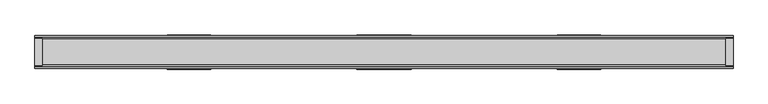
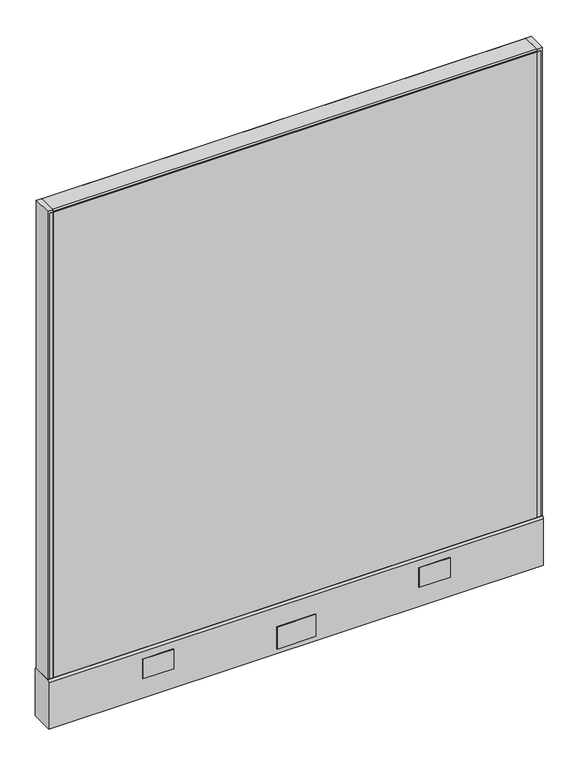
"""IFC4 building model written with IfcOpenShell, lengths in millimetres: furniture geometry."""

import ifcopenshell
import ifcopenshell.guid

model = None  # the IFC model being written
_history = None  # IfcOwnerHistory: only IFC2X3 demands one
_inside = {}  # id of a spatial element -> (the spatial element, [elements in it])
_under = {}  # id of a project, library or spatial element -> (it, [spatial elements below it])
_declared = {}  # id of a project -> (the project, [libraries it declares])
_typed = {}  # id of a type object -> (the type object, [elements of that type])
_made_of = {}  # id of a material, layer set ... -> (it, [elements and type objects made of it])


def new_model(schema):
    """Start an empty IFC model of exactly this schema.

    Asked for "IFC4X3", IfcOpenShell would pick the latest addendum, in which some entities
    have other attributes; the version numbers below select the first issue.
    IFC2X3 requires an IfcOwnerHistory on every rooted entity: one is made here for all.
    """
    global model, _history
    if schema == "IFC4X3":
        model = ifcopenshell.file(schema_version=(4, 3, 0, 0))
    else:
        model = ifcopenshell.file(schema=schema)
    _inside.clear()
    _under.clear()
    _declared.clear()
    _typed.clear()
    _made_of.clear()
    _history = None
    if model.schema == "IFC2X3":
        org = make("IfcOrganization", Name="unknown")
        user = make(
            "IfcPersonAndOrganization",
            ThePerson=make("IfcPerson", FamilyName="unknown"),
            TheOrganization=org,
        )
        app = make(
            "IfcApplication",
            ApplicationDeveloper=org,
            Version="unknown",
            ApplicationFullName="unknown",
            ApplicationIdentifier="unknown",
        )
        _history = make(
            "IfcOwnerHistory",
            OwningUser=user,
            OwningApplication=app,
            ChangeAction="ADDED",
            CreationDate=0,
        )
    return model


def make(cls, **values):
    """One entity of the class cls with the attributes given. An attribute that is None is left unset."""
    return model.create_entity(
        cls, **{name: value for name, value in values.items() if value is not None}
    )


def rooted(cls, **values):
    """An entity with a GlobalId (a new one), such as an element, a storey or a relation."""
    return make(cls, GlobalId=ifcopenshell.guid.new(), OwnerHistory=_history, **values)


def si_unit(unit_type, name, prefix=None):
    """IfcSIUnit, for example si_unit("LENGTHUNIT", "METRE", prefix="MILLI")."""
    return make("IfcSIUnit", UnitType=unit_type, Prefix=prefix, Name=name)


def assignment(units):
    """IfcUnitAssignment: the units of a project."""
    return None if units is None else make("IfcUnitAssignment", Units=units)


def point(xyz):
    """IfcCartesianPoint."""
    return None if xyz is None else make("IfcCartesianPoint", Coordinates=xyz)


def direction(xyz):
    """IfcDirection."""
    return None if xyz is None else make("IfcDirection", DirectionRatios=xyz)


def frame(location, z_axis=None, x_axis=None):
    """IfcAxis2Placement3D, a coordinate frame: its origin and axes. An axis left out is left unset."""
    return make(
        "IfcAxis2Placement3D",
        Location=point(location),
        Axis=direction(z_axis),
        RefDirection=direction(x_axis),
    )


def frame_2d(location, x_axis=None):
    """IfcAxis2Placement2D, a coordinate frame in the plane: its origin and x axis."""
    return make(
        "IfcAxis2Placement2D", Location=point(location), RefDirection=direction(x_axis)
    )


def origin():
    """The frame at (0, 0, 0) with its axes left unset."""
    return frame((0.0, 0.0, 0.0))


def place(relative_to, where):
    """IfcLocalPlacement: puts the frame where relative to a parent placement (None: the world)."""
    return make(
        "IfcLocalPlacement", PlacementRelTo=relative_to, RelativePlacement=where
    )


def context(
    kind, dimensions, precision=None, world=None, true_north=None, identifier=None
):
    """IfcGeometricRepresentationContext, for example the 3D "Model" context."""
    return make(
        "IfcGeometricRepresentationContext",
        ContextIdentifier=identifier,
        ContextType=kind,
        CoordinateSpaceDimension=dimensions,
        Precision=precision,
        WorldCoordinateSystem=world,
        TrueNorth=true_north,
    )


def project(units=None, contexts=None):
    """IfcProject with its units and contexts."""
    return rooted(
        "IfcProject",
        Name="project",
        RepresentationContexts=contexts,
        UnitsInContext=assignment(units),
    )


def spatial(cls, under=None, at=None, **own):
    """A site, building, storey or space (cls), placed at a placement, below another one or the project."""
    s = rooted(cls, ObjectPlacement=at, **own)
    if under is not None:
        _under.setdefault(under.id(), (under, []))[1].append(s)
    return s


def polyline(points):
    """IfcPolyline through the points."""
    return make("IfcPolyline", Points=[point(p) for p in points])


def circle_curve(where, radius):
    """IfcCircle in the frame where."""
    return make("IfcCircle", Position=where, Radius=radius)


def trimmed(basis, trim1, trim2, sense, master):
    """IfcTrimmedCurve: the piece of a basis curve between two trims."""
    return make(
        "IfcTrimmedCurve",
        BasisCurve=basis,
        Trim1=trim1,
        Trim2=trim2,
        SenseAgreement=sense,
        MasterRepresentation=master,
    )


def segment(curve, same_sense, transition):
    """IfcCompositeCurveSegment."""
    return make(
        "IfcCompositeCurveSegment",
        Transition=transition,
        SameSense=same_sense,
        ParentCurve=curve,
    )


def composite_curve(segments, self_intersect=None):
    """IfcCompositeCurve: segments joined end to end."""
    return make("IfcCompositeCurve", Segments=segments, SelfIntersect=self_intersect)


def outline(outer, holes=None, kind="AREA"):
    """IfcArbitraryClosedProfileDef: a profile drawn as a closed curve; with holes, ...WithVoids."""
    if holes is None:
        return make("IfcArbitraryClosedProfileDef", ProfileType=kind, OuterCurve=outer)
    return make(
        "IfcArbitraryProfileDefWithVoids",
        ProfileType=kind,
        OuterCurve=outer,
        InnerCurves=holes,
    )


def extrude(swept, where, along, depth):
    """IfcExtrudedAreaSolid: the profile swept, set in the frame where, extruded along a direction by depth."""
    return make(
        "IfcExtrudedAreaSolid",
        SweptArea=swept,
        Position=where,
        ExtrudedDirection=direction(along),
        Depth=depth,
    )


def shape(context_of_items, identifier, shape_type, items):
    """IfcShapeRepresentation: the items that make up one representation, for example the "Body"."""
    return make(
        "IfcShapeRepresentation",
        ContextOfItems=context_of_items,
        RepresentationIdentifier=identifier,
        RepresentationType=shape_type,
        Items=items,
    )


def source(mapping_origin, context_of_items, identifier, shape_type, items):
    """IfcRepresentationMap: a shape defined once, which mapped items show again and again."""
    return make(
        "IfcRepresentationMap",
        MappingOrigin=mapping_origin,
        MappedRepresentation=shape(context_of_items, identifier, shape_type, items),
    )


def transform(
    local_origin,
    x_axis=None,
    y_axis=None,
    z_axis=None,
    scale=None,
    scale2=None,
    scale3=None,
    uniform=True,
):
    """IfcCartesianTransformationOperator3D, or its non-uniform kind. x_axis, y_axis, z_axis: its Axis1, 2, 3."""
    if uniform:
        return make(
            "IfcCartesianTransformationOperator3D",
            Axis1=direction(x_axis),
            Axis2=direction(y_axis),
            LocalOrigin=point(local_origin),
            Scale=scale,
            Axis3=direction(z_axis),
        )
    return make(
        "IfcCartesianTransformationOperator3DnonUniform",
        Axis1=direction(x_axis),
        Axis2=direction(y_axis),
        LocalOrigin=point(local_origin),
        Scale=scale,
        Axis3=direction(z_axis),
        Scale2=scale2,
        Scale3=scale3,
    )


def mapped(mapping_source, mapping_target):
    """IfcMappedItem: shows the shape of a source again, moved by a transform."""
    return make(
        "IfcMappedItem", MappingSource=mapping_source, MappingTarget=mapping_target
    )


def made_of(thing, what):
    """Note that an element or type object is made of a material, layer set ...; save() writes the relation."""
    if what is not None:
        _made_of.setdefault(what.id(), (what, []))[1].append(thing)
    return thing


def element(
    cls,
    number,
    at=None,
    inside=None,
    cuts=None,
    type_object=None,
    material=None,
    context=None,
    identifier="Body",
    shape_type=None,
    held_by="IfcProductDefinitionShape",
    body=None,
    shapes=None,
    **own,
):
    """One element of the class cls, such as IfcWall. Its Tag is "e" and its number.

    at: its placement. inside: the storey or other place that contains it. cuts: it is an
    opening in that element (IfcRelVoidsElement). A single representation is given by context,
    identifier, shape_type and body (its items); several are given by shapes. held_by: the class
    of the entity that holds the representations. save() writes the other relations.
    """
    e = rooted(cls, Tag="e%d" % number, ObjectPlacement=at, **own)
    if body is not None:
        shapes = [shape(context, identifier, shape_type, body)]
    if shapes is not None:
        e.Representation = make(held_by, Representations=shapes)
    if inside is not None:
        _inside.setdefault(inside.id(), (inside, []))[1].append(e)
    if cuts is not None:
        rooted(
            "IfcRelVoidsElement", RelatingBuildingElement=cuts, RelatedOpeningElement=e
        )
    if type_object is not None:
        _typed.setdefault(type_object.id(), (type_object, []))[1].append(e)
    return made_of(e, material)


def aggregate(whole, parts):
    """IfcRelAggregates: a whole, such as a stair, and the parts it consists of."""
    return rooted("IfcRelAggregates", RelatingObject=whole, RelatedObjects=parts)


def save(model, path):
    """Write the relations noted so far, then the file.

    IfcRelAggregates (storeys below a building ...), IfcRelContainedInSpatialStructure (elements
    in a storey), IfcRelDefinesByType, IfcRelAssociatesMaterial and IfcRelDeclares: one each for
    every whole, place, type object, material and project.
    """
    for whole, parts in _under.values():
        aggregate(whole, parts)
    for where, things in _inside.values():
        rooted(
            "IfcRelContainedInSpatialStructure",
            RelatedElements=things,
            RelatingStructure=where,
        )
    for kind, things in _typed.values():
        rooted("IfcRelDefinesByType", RelatedObjects=things, RelatingType=kind)
    for what, things in _made_of.values():
        rooted("IfcRelAssociatesMaterial", RelatedObjects=things, RelatingMaterial=what)
    for by, libraries in _declared.values():
        rooted("IfcRelDeclares", RelatingContext=by, RelatedDefinitions=libraries)
    model.write(path)


def plane_surface(at):
    """IfcPlane: the flat surface through the origin of the frame at, square to its z axis."""
    return make("IfcPlane", Position=at)


def cylinder_surface(at, radius):
    """IfcCylindricalSurface: all points at the distance radius from the z axis of the frame at."""
    return make("IfcCylindricalSurface", Position=at, Radius=radius)


def advanced_brep(points, edges, surfaces, faces):
    """IfcAdvancedBrep: a solid bounded by faces that lie on surfaces and meet in shared edges.

    An edge is (start, end): straight between two places in points (the first is 0);
    or (start, end, curve); or (start, end, curve, False) where it runs against its curve.
    A face is (place in surfaces, loops), or (place, loops, False) where it looks against
    its surface's normal. A loop lists edges by number (the first is 1), with a minus sign
    where the edge is run from its end to its start. The first loop is the outer one.
    """
    corners = [point(p) for p in points]
    vertices = [make("IfcVertexPoint", VertexGeometry=c) for c in corners]
    made = []
    for start, end, *more in edges:
        made.append(
            make(
                "IfcEdgeCurve",
                EdgeStart=vertices[start],
                EdgeEnd=vertices[end],
                EdgeGeometry=more[0] if more else make("IfcPolyline", Points=[corners[start], corners[end]]),
                SameSense=more[1] if len(more) > 1 else True,
            )
        )
    hull = []
    for where, loops, *sense in faces:
        bounds = []
        for j, loop in enumerate(loops):
            ring = [make("IfcOrientedEdge", EdgeElement=made[abs(k) - 1], Orientation=k > 0) for k in loop]
            bounds.append(
                make(
                    "IfcFaceOuterBound" if j == 0 else "IfcFaceBound",
                    Bound=make("IfcEdgeLoop", EdgeList=ring),
                    Orientation=True,
                )
            )
        hull.append(make("IfcAdvancedFace", Bounds=bounds, FaceSurface=surfaces[where], SameSense=sense[0] if sense else True))
    return make("IfcAdvancedBrep", Outer=make("IfcClosedShell", CfsFaces=hull))


def furniture_fcef3ba6(model_context):
    return source(origin(), model_context, "Body", "SolidModel", [
        extrude(outline(polyline([(596.9, 25.4), (596.9, 0.0), (-596.9, 0.0), (-596.9, 25.4), (596.9, 25.4)])), frame((0.0, 0.0, 136.525), z_axis=(0.0, 0.0, 1.0), x_axis=(1.0, 0.0, 0.0)), (0.0, 0.0, 1.0), 1212.85),
        extrude(outline(polyline([(47.625, 28.575), (-47.625, 28.575), (-47.625, 30.1625), (47.625, 30.1625), (47.625, 28.575)])), frame((0.0, 0.0, 22.225), z_axis=(0.0, 0.0, 1.0), x_axis=(1.0, 0.0, 0.0)), (0.0, 0.0, 1.0), 57.15),
        extrude(outline(polyline([(47.625, -30.1625), (-47.625, -30.1625), (-47.625, -28.575), (47.625, -28.575), (47.625, -30.1625)])), frame((0.0, 0.0, 22.225), z_axis=(0.0, 0.0, 1.0), x_axis=(1.0, 0.0, 0.0)), (0.0, 0.0, 1.0), 57.15),
        advanced_brep(
        [(552.45, 0.0, 0.0), (577.85, 0.0, 0.0), (565.15, 0.0, 0.0), (552.45, 0.0, 4.7625), (577.85, 0.0, 4.7625), (558.8, 0.0, 4.7625), (571.5, 0.0, 4.7625), (558.8, 0.0, 111.125), (571.5, 0.0, 111.125), (565.15, 0.0, 111.125)],
        [
            (0, 1, circle_curve(frame((565.15, 0.0, 0.0), z_axis=(0.0, 0.0, -1.0), x_axis=(1.0, 0.0, 0.0)), 12.7)),
            (1, 2),
            (2, 0),
            (1, 0, circle_curve(frame((565.15, 0.0, 0.0), z_axis=(0.0, 0.0, -1.0), x_axis=(1.0, 0.0, 0.0)), 12.7)),
            (3, 4, circle_curve(frame((565.15, 0.0, 4.7625), z_axis=(0.0, 0.0, -1.0), x_axis=(1.0, 0.0, 0.0)), 12.7)),
            (4, 1),
            (0, 3),
            (4, 3, circle_curve(frame((565.15, 0.0, 4.7625), z_axis=(0.0, 0.0, -1.0), x_axis=(1.0, 0.0, 0.0)), 12.7)),
            (5, 6, circle_curve(frame((565.15, 0.0, 4.7625), z_axis=(0.0, 0.0, -1.0), x_axis=(1.0, 0.0, 0.0)), 6.35)),
            (6, 4),
            (3, 5),
            (6, 5, circle_curve(frame((565.15, 0.0, 4.7625), z_axis=(0.0, 0.0, -1.0), x_axis=(1.0, 0.0, 0.0)), 6.35)),
            (7, 8, circle_curve(frame((565.15, 0.0, 111.125), z_axis=(0.0, 0.0, -1.0), x_axis=(1.0, 0.0, 0.0)), 6.35)),
            (8, 6),
            (5, 7),
            (8, 7, circle_curve(frame((565.15, 0.0, 111.125), z_axis=(0.0, 0.0, -1.0), x_axis=(1.0, 0.0, 0.0)), 6.35)),
            (9, 8),
            (7, 9),
        ],
        [
            plane_surface(frame((565.15, 0.0, 0.0), z_axis=(0.0, 0.0, -1.0), x_axis=(1.0, 0.0, 0.0))),
            cylinder_surface(frame((565.15, 0.0, 114.882153), z_axis=(0.0, 0.0, 1.0), x_axis=(1.0, 0.0, 0.0)), 12.7),
            plane_surface(frame((565.15, 0.0, 4.7625), z_axis=(0.0, 0.0, 1.0), x_axis=(1.0, 0.0, 0.0))),
            cylinder_surface(frame((565.15, 0.0, 114.882153), z_axis=(0.0, 0.0, 1.0), x_axis=(1.0, 0.0, 0.0)), 6.35),
            plane_surface(frame((565.15, 0.0, 111.125), z_axis=(0.0, 0.0, 1.0), x_axis=(1.0, 0.0, 0.0))),
        ],
        [
            (0, [[1, 2, 3]]),
            (0, [[4, -3, -2]]),
            (1, [[5, 6, -1, 7]]),
            (1, [[8, -7, -4, -6]]),
            (2, [[9, 10, -5, 11]]),
            (2, [[12, -11, -8, -10]]),
            (3, [[13, 14, -9, 15]]),
            (3, [[16, -15, -12, -14]]),
            (4, [[17, -13, 18]]),
            (4, [[-18, -16, -17]]),
        ],
    ),
        advanced_brep(
        [(-577.85, 0.0, 4.7625), (-552.45, 0.0, 4.7625), (-552.45, 0.0, 0.0), (-577.85, 0.0, 0.0), (-571.5, 0.0, 4.7625), (-558.8, 0.0, 4.7625), (-571.5, 0.0, 111.125), (-558.8, 0.0, 111.125), (-565.15, 0.0, 111.125), (-565.15, 0.0, 0.0)],
        [
            (0, 1, circle_curve(frame((-565.15, 0.0, 4.7625), z_axis=(0.0, 0.0, -1.0), x_axis=(1.0, 0.0, 0.0)), 12.7)),
            (1, 2),
            (2, 3, circle_curve(frame((-565.15, 0.0, 0.0), z_axis=(0.0, 0.0, 1.0), x_axis=(1.0, 0.0, 0.0)), 12.7)),
            (3, 0),
            (1, 0, circle_curve(frame((-565.15, 0.0, 4.7625), z_axis=(0.0, 0.0, -1.0), x_axis=(1.0, 0.0, 0.0)), 12.7)),
            (3, 2, circle_curve(frame((-565.15, 0.0, 0.0), z_axis=(0.0, 0.0, 1.0), x_axis=(1.0, 0.0, 0.0)), 12.7)),
            (4, 5, circle_curve(frame((-565.15, 0.0, 4.7625), z_axis=(0.0, 0.0, -1.0), x_axis=(1.0, 0.0, 0.0)), 6.35)),
            (5, 1),
            (0, 4),
            (5, 4, circle_curve(frame((-565.15, 0.0, 4.7625), z_axis=(0.0, 0.0, -1.0), x_axis=(1.0, 0.0, 0.0)), 6.35)),
            (6, 7, circle_curve(frame((-565.15, 0.0, 111.125), z_axis=(0.0, 0.0, -1.0), x_axis=(1.0, 0.0, 0.0)), 6.35)),
            (7, 5),
            (4, 6),
            (7, 6, circle_curve(frame((-565.15, 0.0, 111.125), z_axis=(0.0, 0.0, -1.0), x_axis=(1.0, 0.0, 0.0)), 6.35)),
            (8, 7),
            (6, 8),
            (2, 9),
            (9, 3),
        ],
        [
            cylinder_surface(frame((-565.15, 0.0, 123.825), z_axis=(0.0, 0.0, 1.0), x_axis=(1.0, 0.0, 0.0)), 12.7),
            plane_surface(frame((-565.15, 0.0, 4.7625), z_axis=(0.0, 0.0, 1.0), x_axis=(1.0, 0.0, 0.0))),
            cylinder_surface(frame((-565.15, 0.0, 123.825), z_axis=(0.0, 0.0, 1.0), x_axis=(1.0, 0.0, 0.0)), 6.35),
            plane_surface(frame((-565.15, 0.0, 111.125), z_axis=(0.0, 0.0, 1.0), x_axis=(1.0, 0.0, 0.0))),
            plane_surface(frame((-565.15, 0.0, 0.0), z_axis=(0.0, 0.0, -1.0), x_axis=(1.0, 0.0, 0.0))),
        ],
        [
            (0, [[1, 2, 3, 4]]),
            (0, [[5, -4, 6, -2]]),
            (1, [[7, 8, -1, 9]]),
            (1, [[10, -9, -5, -8]]),
            (2, [[11, 12, -7, 13]]),
            (2, [[14, -13, -10, -12]]),
            (3, [[15, -11, 16]]),
            (3, [[-16, -14, -15]]),
            (4, [[-3, 17, 18]]),
            (4, [[-6, -18, -17]]),
        ],
    ),
        extrude(outline(polyline([(-609.6, 23.8125), (-596.9, 23.8125), (-596.9, -23.8125), (-609.6, -23.8125), (-609.6, 23.8125)])), frame((0.0, 0.0, 136.525), z_axis=(0.0, 0.0, 1.0), x_axis=(1.0, 0.0, 0.0)), (0.0, 0.0, 1.0), 1219.2),
        extrude(outline(polyline([(609.6, 23.8125), (609.6, -23.8125), (596.9, -23.8125), (596.9, 23.8125), (609.6, 23.8125)])), frame((0.0, 0.0, 136.525), z_axis=(0.0, 0.0, 1.0), x_axis=(1.0, 0.0, 0.0)), (0.0, 0.0, 1.0), 1219.2),
        extrude(outline(polyline([(-596.9, 25.4), (-596.9, 23.8125), (-604.8375, 23.8125), (-604.8375, 25.4), (-596.9, 25.4)])), frame((0.0, 0.0, 136.525), z_axis=(0.0, 0.0, 1.0), x_axis=(1.0, 0.0, 0.0)), (0.0, 0.0, 1.0), 1212.85),
        extrude(outline(polyline([(-596.9, -25.4), (-604.8375, -25.4), (-604.8375, -23.8125), (-596.9, -23.8125), (-596.9, -25.4)])), frame((0.0, 0.0, 136.525), z_axis=(0.0, 0.0, 1.0), x_axis=(1.0, 0.0, 0.0)), (0.0, 0.0, 1.0), 1212.85),
        extrude(outline(polyline([(604.8375, 25.4), (604.8375, 23.8125), (596.9, 23.8125), (596.9, 25.4), (604.8375, 25.4)])), frame((0.0, 0.0, 136.525), z_axis=(0.0, 0.0, 1.0), x_axis=(1.0, 0.0, 0.0)), (0.0, 0.0, 1.0), 1212.85),
        extrude(outline(polyline([(596.9, -23.8125), (604.8375, -23.8125), (604.8375, -25.4), (596.9, -25.4), (596.9, -23.8125)])), frame((0.0, 0.0, 136.525), z_axis=(0.0, 0.0, 1.0), x_axis=(1.0, 0.0, 0.0)), (0.0, 0.0, 1.0), 1212.85),
        extrude(outline(composite_curve([segment(trimmed(circle_curve(frame_2d((22.225, 1352.55)), 3.175), [point((22.225, 1355.725))], [point((25.4, 1352.55))], False, "CARTESIAN"), True, "CONTINUOUS"), segment(polyline([(25.4, 1352.55), (25.4, 1349.375), (-25.4, 1349.375), (-25.4, 1352.55)]), True, "CONTINUOUS"), segment(trimmed(circle_curve(frame_2d((-22.225, 1352.55)), 3.175), [point((-25.4, 1352.55))], [point((-22.225, 1355.725))], False, "CARTESIAN"), True, "CONTINUOUS"), segment(polyline([(-22.225, 1355.725), (22.225, 1355.725)]), True, "CONTINUOUS")], self_intersect=False)), frame((-596.9, 0.0, 0.0), z_axis=(1.0, 0.0, 0.0), x_axis=(0.0, 1.0, 0.0)), (0.0, 0.0, 1.0), 1193.8),
        extrude(outline(polyline([(378.714, 30.1625), (378.714, 28.575), (302.406184, 28.575), (302.406184, 30.1625), (378.714, 30.1625)])), frame((0.0, 0.0, 60.325), z_axis=(0.0, 0.0, 1.0), x_axis=(1.0, 0.0, 0.0)), (0.0, 0.0, 1.0), 50.8),
        extrude(outline(polyline([(-302.406184, 30.1625), (-302.406184, 28.575), (-378.714, 28.575), (-378.714, 30.1625), (-302.406184, 30.1625)])), frame((0.0, 0.0, 60.325), z_axis=(0.0, 0.0, 1.0), x_axis=(1.0, 0.0, 0.0)), (0.0, 0.0, 1.0), 50.8),
        extrude(outline(polyline([(378.714, -28.575), (378.714, -30.1625), (302.406184, -30.1625), (302.406184, -28.575), (378.714, -28.575)])), frame((0.0, 0.0, 60.325), z_axis=(0.0, 0.0, 1.0), x_axis=(1.0, 0.0, 0.0)), (0.0, 0.0, 1.0), 50.8),
        extrude(outline(polyline([(-302.406184, -28.575), (-302.406184, -30.1625), (-378.714, -30.1625), (-378.714, -28.575), (-302.406184, -28.575)])), frame((0.0, 0.0, 60.325), z_axis=(0.0, 0.0, 1.0), x_axis=(1.0, 0.0, 0.0)), (0.0, 0.0, 1.0), 50.8),
        extrude(outline(composite_curve([segment(trimmed(circle_curve(frame_2d((20.6375, 130.175)), 7.9375), [point((25.4, 136.525))], [point((28.575, 130.175))], False, "CARTESIAN"), True, "CONTINUOUS"), segment(polyline([(28.575, 130.175), (28.575, 9.525), (-28.575, 9.525), (-28.575, 130.175)]), True, "CONTINUOUS"), segment(trimmed(circle_curve(frame_2d((-20.6375, 130.175)), 7.9375), [point((-28.575, 130.175))], [point((-25.4, 136.525))], False, "CARTESIAN"), True, "CONTINUOUS"), segment(polyline([(-25.4, 136.525), (25.4, 136.525)]), True, "CONTINUOUS")], self_intersect=False)), frame((-609.6, 0.0, 0.0), z_axis=(1.0, 0.0, 0.0), x_axis=(0.0, 1.0, 0.0)), (0.0, 0.0, 1.0), 1219.2),
        extrude(outline(polyline([(596.9, 0.0), (596.9, -25.4), (-596.9, -25.4), (-596.9, 0.0), (596.9, 0.0)])), frame((0.0, 0.0, 136.525), z_axis=(0.0, 0.0, 1.0), x_axis=(1.0, 0.0, 0.0)), (0.0, 0.0, 1.0), 1212.85),
    ])


if __name__ == "__main__":
    model = new_model("IFC4")
    model_context = context("Model", 3, world=origin())
    ifc_project = project(units=[si_unit("LENGTHUNIT", "METRE", prefix="MILLI")], contexts=[model_context])
    site = spatial("IfcSite", under=ifc_project)
    building = spatial("IfcBuilding", under=site)
    placement = place(None, origin())
    furniture_shape = furniture_fcef3ba6(model_context)
    element("IfcFurniture", 1, at=placement, inside=building, context=model_context, shape_type="MappedRepresentation", body=[
        mapped(furniture_shape, transform((0.0, 0.0, 0.0), x_axis=(1.0, 0.0, 0.0), y_axis=(0.0, 1.0, 0.0), z_axis=(0.0, 0.0, 1.0))),
    ])
    save(model, "model.ifc")
